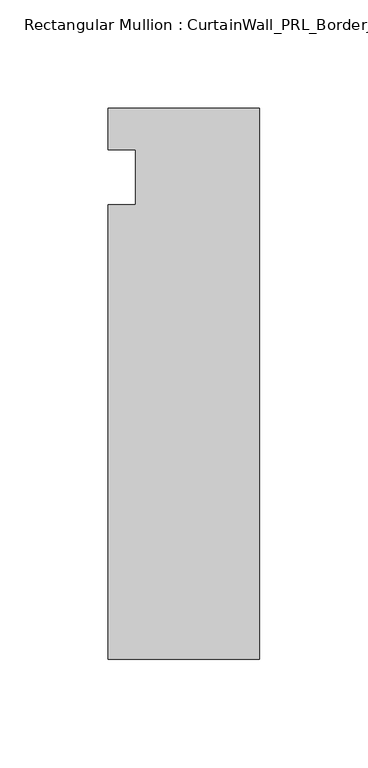
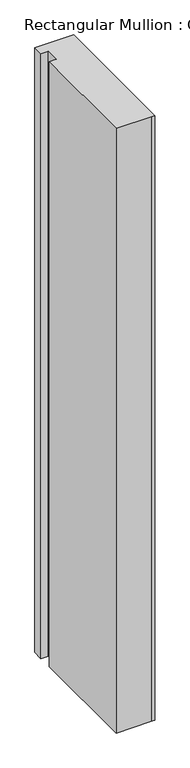
"""IFC4 building model written with IfcOpenShell, lengths in millimetres: member geometry, Rectangular Mullion : CurtainWall_PRL_BorderJamb_1002 Reverse."""

from ifc_helpers import new_model, si_unit, frame, origin, place, context, project, spatial, polyline, outline, extrude, source, transform, mapped, element, save


def rectangular_mullion_curtainwall_prl_borderjamb_1002_reverse_358918c2(model_context):
    return source(origin(), model_context, "Body", "SweptSolid", [
        extrude(outline(polyline([(-57.15, -12.7), (-57.15, 12.7), (-69.85, 12.7), (-69.85, 31.75), (-7.3958824, 31.75), (0.0, 31.75), (0.0, -222.25), (-6.35, -222.25), (-69.85, -222.25), (-69.85, -12.7), (-57.15, -12.7)])), frame((0.0, 0.0, -1155.7), z_axis=(0.0, 0.0, 1.0), x_axis=(1.0, 0.0, 0.0)), (0.0, 0.0, 1.0), 1155.7),
    ])


if __name__ == "__main__":
    model = new_model("IFC4")
    model_context = context("Model", 3, world=origin())
    ifc_project = project(units=[si_unit("LENGTHUNIT", "METRE", prefix="MILLI")], contexts=[model_context])
    site = spatial("IfcSite", under=ifc_project)
    building = spatial("IfcBuilding", under=site)
    placement = place(None, origin())
    rectangular_mullion_curtainwall_prl_borderjamb_1002_reverse_shape = rectangular_mullion_curtainwall_prl_borderjamb_1002_reverse_358918c2(model_context)
    element("IfcMember", 1, ObjectType="Rectangular Mullion : CurtainWall_PRL_BorderJamb_1002 Reverse", at=placement, inside=building, context=model_context, shape_type="MappedRepresentation", body=[
        mapped(rectangular_mullion_curtainwall_prl_borderjamb_1002_reverse_shape, transform((0.0, 0.0, 0.0), x_axis=(1.0, 0.0, 0.0), y_axis=(0.0, 1.0, 0.0), z_axis=(0.0, 0.0, 1.0))),
    ])
    save(model, "model.ifc")
